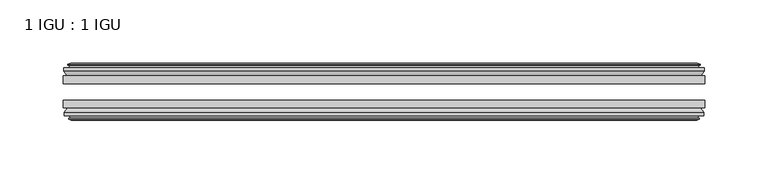
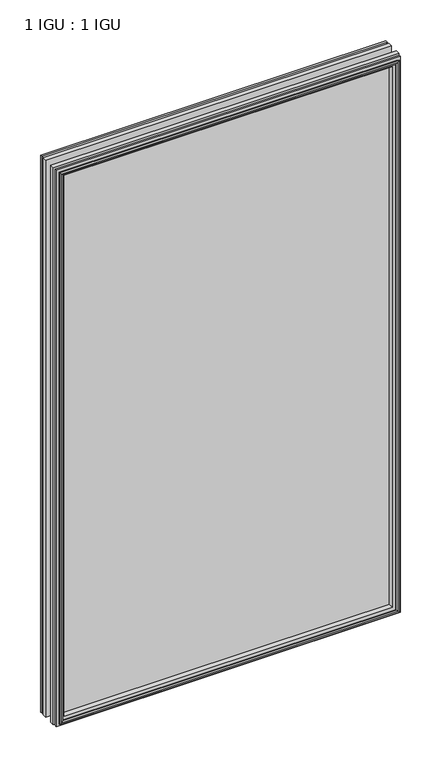
"""IFC4 building model written with IfcOpenShell, lengths in millimetres: plate geometry, 1 IGU : 1 IGU."""

from ifc_helpers import new_model, si_unit, frame, origin, place, context, project, spatial, polyline, outline, extrude, faceted_brep, source, transform, mapped, element, save


def plate_1_igu_1_igu_258594d1(model_context):
    return source(origin(), model_context, "Body", "SolidModel", [
        extrude(outline(polyline([(253.4841883, -19.5460937), (253.4841883, -25.8960938), (-253.4841883, -25.8960938), (-253.4841883, -19.5460937), (253.4841883, -19.5460937)])), frame((0.0, 0.0, -12.7), z_axis=(0.0, 0.0, 1.0), x_axis=(1.0, 0.0, 0.0)), (0.0, 0.0, 1.0), 863.6),
        extrude(outline(polyline([(-253.4841883, -44.9460938), (-253.4841883, -38.9186737), (253.4841883, -38.9186737), (253.4841883, -44.9460938), (-253.4841883, -44.9460938)])), frame((0.0, 0.0, -12.7), z_axis=(0.0, 0.0, 1.0), x_axis=(1.0, 0.0, 0.0)), (0.0, 0.0, 1.0), 863.6),
        faceted_brep([(-247.8961883, -53.6762907, 845.312), (-248.2771883, -51.2960937, 845.693), (-248.2771883, -51.2960937, -7.493), (-247.8961883, -53.6762907, -7.112), (-249.3117174, -53.2163575, 846.7275291), (-249.3117174, -53.2163575, -8.5275291), (-249.3117174, -54.0175717, 846.7275291), (-249.3117174, -54.0175717, -8.5275291), (-247.1341883, -54.7250937, 844.55), (-247.1341883, -54.7250937, -6.35), (-244.9566593, -54.0175717, 842.3724709), (-244.9566593, -54.0175717, -4.1724709), (-244.9566593, -53.2163575, 842.3724709), (-244.9566593, -53.2163575, -4.1724709), (-246.3721883, -53.6762907, 843.788), (-246.3721883, -53.6762907, -5.588), (-245.9911883, -51.2960937, 843.407), (-245.9911883, -51.2960937, -5.207), (-239.0664703, -44.9460937, 836.4822819), (-240.7841883, -51.2960937, 838.2), (-240.7841883, -51.2960937, 0.0), (-239.0664703, -44.9460937, 1.7177181), (-252.7221883, -48.3496937, 850.138), (-249.8878462, -44.9460937, 847.3036578), (-249.8878462, -44.9460937, -9.1036578), (-252.7221883, -48.3496937, -11.938), (-252.7221883, -51.2960937, 850.138), (-252.7221883, -51.2960937, -11.938), (248.2771883, -51.2960938, -7.493), (247.8961883, -53.6762907, -7.112), (249.3117174, -53.2163575, -8.5275291), (249.3117174, -54.0175717, -8.5275291), (247.1341883, -54.7250937, -6.35), (244.9566593, -54.0175717, -4.1724709), (244.9566593, -53.2163575, -4.1724709), (246.3721883, -53.6762907, -5.588), (245.9911883, -51.2960937, -5.207), (240.7841883, -51.2960937, 0.0), (239.0664703, -44.9460937, 1.7177181), (249.8878462, -44.9460937, -9.1036578), (252.7221883, -48.3496937, -11.938), (252.7221883, -51.2960938, -11.938), (248.2771883, -51.2960938, 845.693), (247.8961883, -53.6762907, 845.312), (249.3117174, -53.2163575, 846.7275291), (249.3117174, -54.0175717, 846.7275291), (247.1341883, -54.7250937, 844.55), (244.9566593, -54.0175717, 842.3724709), (244.9566593, -53.2163575, 842.3724709), (246.3721883, -53.6762907, 843.788), (245.9911883, -51.2960937, 843.407), (240.7841883, -51.2960937, 838.2), (239.0664703, -44.9460937, 836.4822819), (249.8878462, -44.9460937, 847.3036578), (252.7221883, -48.3496937, 850.138), (252.7221883, -51.2960938, 850.138)], [[[0, 1, 2, 3]], [[4, 0, 3, 5]], [[6, 4, 5, 7]], [[8, 6, 7, 9]], [[10, 8, 9, 11]], [[12, 10, 11, 13]], [[14, 12, 13, 15]], [[16, 14, 15, 17]], [[18, 19, 20, 21]], [[22, 23, 24, 25]], [[26, 22, 25, 27]], [[3, 2, 28, 29]], [[5, 3, 29, 30]], [[7, 5, 30, 31]], [[9, 7, 31, 32]], [[11, 9, 32, 33]], [[13, 11, 33, 34]], [[15, 13, 34, 35]], [[17, 15, 35, 36]], [[21, 20, 37, 38]], [[25, 24, 39, 40]], [[27, 25, 40, 41]], [[29, 28, 42, 43]], [[30, 29, 43, 44]], [[31, 30, 44, 45]], [[32, 31, 45, 46]], [[33, 32, 46, 47]], [[34, 33, 47, 48]], [[35, 34, 48, 49]], [[36, 35, 49, 50]], [[38, 37, 51, 52]], [[40, 39, 53, 54]], [[41, 40, 54, 55]], [[27, 41, 55, 26], [1, 42, 28, 2]], [[43, 42, 1, 0]], [[44, 43, 0, 4]], [[45, 44, 4, 6]], [[46, 45, 6, 8]], [[47, 46, 8, 10]], [[48, 47, 10, 12]], [[49, 48, 12, 14]], [[50, 49, 14, 16]], [[17, 36, 50, 16], [19, 51, 37, 20]], [[52, 51, 19, 18]], [[23, 53, 39, 24], [21, 38, 52, 18]], [[54, 53, 23, 22]], [[55, 54, 22, 26]]]),
        faceted_brep([(-250.4085462, -19.5460937, 847.8243578), (-253.2428883, -16.1424937, 850.6587), (-253.2428883, -16.1424937, -12.4587), (-250.4085462, -19.5460937, -9.6243578), (-241.3048883, -13.1960937, 838.7207), (-239.5871703, -19.5460937, 837.0029819), (-239.5871703, -19.5460937, 1.1970181), (-241.3048883, -13.1960937, -0.5207), (-246.8928883, -10.8158968, 844.3087), (-246.5118883, -13.1960937, 843.9277), (-246.5118883, -13.1960937, -5.7277), (-246.8928883, -10.8158968, -6.1087), (-245.4773593, -11.27583, 842.8931709), (-245.4773593, -11.27583, -4.6931709), (-245.4773593, -10.4746158, 842.8931709), (-245.4773593, -10.4746158, -4.6931709), (-247.6548883, -9.7670937, 845.0707), (-247.6548883, -9.7670937, -6.8707), (-249.8324174, -10.4746158, 847.2482291), (-249.8324174, -10.4746158, -9.0482291), (-249.8324174, -11.27583, 847.2482291), (-249.8324174, -11.27583, -9.0482291), (-248.4168883, -10.8158968, 845.8327), (-248.4168883, -10.8158968, -7.6327), (-248.7978883, -13.1960937, 846.2137), (-248.7978883, -13.1960937, -8.0137), (-253.2428883, -13.1960937, 850.6587), (-253.2428883, -13.1960937, -12.4587), (253.2428883, -16.1424937, -12.4587), (250.4085462, -19.5460937, -9.6243578), (239.5871703, -19.5460937, 1.1970181), (241.3048883, -13.1960937, -0.5207), (246.5118883, -13.1960937, -5.7277), (246.8928883, -10.8158968, -6.1087), (245.4773593, -11.27583, -4.6931709), (245.4773593, -10.4746158, -4.6931709), (247.6548883, -9.7670937, -6.8707), (249.8324174, -10.4746158, -9.0482291), (249.8324174, -11.27583, -9.0482291), (248.4168883, -10.8158968, -7.6327), (248.7978883, -13.1960937, -8.0137), (253.2428883, -13.1960937, -12.4587), (253.2428883, -16.1424937, 850.6587), (250.4085462, -19.5460937, 847.8243578), (239.5871703, -19.5460937, 837.0029819), (241.3048883, -13.1960937, 838.7207), (246.5118883, -13.1960937, 843.9277), (246.8928883, -10.8158968, 844.3087), (245.4773593, -11.27583, 842.8931709), (245.4773593, -10.4746158, 842.8931709), (247.6548883, -9.7670937, 845.0707), (249.8324174, -10.4746158, 847.2482291), (249.8324174, -11.27583, 847.2482291), (248.4168883, -10.8158968, 845.8327), (248.7978883, -13.1960937, 846.2137), (253.2428883, -13.1960937, 850.6587)], [[[0, 1, 2, 3]], [[4, 5, 6, 7]], [[8, 9, 10, 11]], [[12, 8, 11, 13]], [[14, 12, 13, 15]], [[16, 14, 15, 17]], [[18, 16, 17, 19]], [[20, 18, 19, 21]], [[22, 20, 21, 23]], [[24, 22, 23, 25]], [[1, 26, 27, 2]], [[3, 2, 28, 29]], [[7, 6, 30, 31]], [[11, 10, 32, 33]], [[13, 11, 33, 34]], [[15, 13, 34, 35]], [[17, 15, 35, 36]], [[19, 17, 36, 37]], [[21, 19, 37, 38]], [[23, 21, 38, 39]], [[25, 23, 39, 40]], [[2, 27, 41, 28]], [[29, 28, 42, 43]], [[31, 30, 44, 45]], [[33, 32, 46, 47]], [[34, 33, 47, 48]], [[35, 34, 48, 49]], [[36, 35, 49, 50]], [[37, 36, 50, 51]], [[38, 37, 51, 52]], [[39, 38, 52, 53]], [[40, 39, 53, 54]], [[28, 41, 55, 42]], [[43, 42, 1, 0]], [[3, 29, 43, 0], [5, 44, 30, 6]], [[45, 44, 5, 4]], [[9, 46, 32, 10], [7, 31, 45, 4]], [[47, 46, 9, 8]], [[48, 47, 8, 12]], [[49, 48, 12, 14]], [[50, 49, 14, 16]], [[51, 50, 16, 18]], [[52, 51, 18, 20]], [[53, 52, 20, 22]], [[54, 53, 22, 24]], [[26, 55, 41, 27], [25, 40, 54, 24]], [[42, 55, 26, 1]]]),
    ])


if __name__ == "__main__":
    model = new_model("IFC4")
    model_context = context("Model", 3, world=origin())
    ifc_project = project(units=[si_unit("LENGTHUNIT", "METRE", prefix="MILLI")], contexts=[model_context])
    site = spatial("IfcSite", under=ifc_project)
    building = spatial("IfcBuilding", under=site)
    placement = place(None, origin())
    plate_1_igu_1_igu_shape = plate_1_igu_1_igu_258594d1(model_context)
    element("IfcPlate", 1, ObjectType="1 IGU : 1 IGU", at=placement, inside=building, context=model_context, shape_type="MappedRepresentation", body=[
        mapped(plate_1_igu_1_igu_shape, transform((0.0, 0.0, 0.0), x_axis=(1.0, 0.0, 0.0), y_axis=(0.0, 1.0, 0.0), z_axis=(0.0, 0.0, 1.0))),
    ])
    save(model, "model.ifc")
